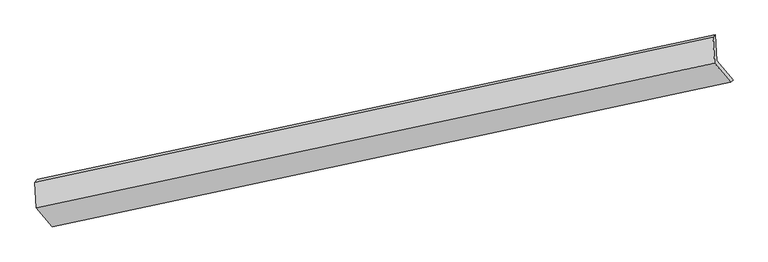
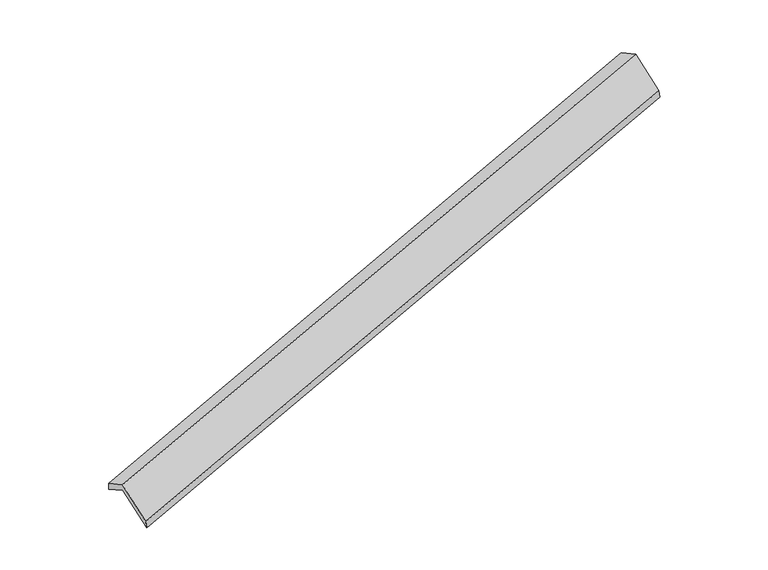
"""IFC4 building model written with IfcOpenShell, lengths in millimetres: proxy geometry."""

from ifc_helpers import new_model, si_unit, frame, origin, place, context, project, spatial, source, transform, mapped, element, save
from ifc_brep_helpers import plane_surface, spline_surface, advanced_brep


def generic_models_0d58e086(model_context):
    return source(origin(), model_context, "Body", "AdvancedBrep", [
        advanced_brep(
        [(-8391.504543, -2680.4744517, 494.5291801), (-8416.0613072, -2271.3748321, 283.3203857), (2525.4051523, 63.8545226, 3556.2191937), (2550.4945339, -354.1181546, 3772.0089452), (-8452.2392231, -2321.1113784, 439.2307403), (2488.694619, 22.9910339, 3707.5485913), (-8427.7586122, -2728.9423334, 649.7845521), (2513.7078473, -393.7129786, 3922.6833601), (-8172.1620103, -3038.1340909, 21.1797809), (2769.3044492, -702.9047362, 3294.078589), (-8131.0555725, -2995.536054, -146.0093259), (2810.9435045, -669.1797569, 3131.4704392)],
        [
            (0, 1),
            (1, 2),
            (2, 3),
            (3, 0),
            (1, 4),
            (4, 5),
            (5, 2),
            (4, 6),
            (6, 7),
            (7, 5),
            (6, 8),
            (8, 9),
            (9, 7),
            (8, 10),
            (10, 11),
            (11, 9),
            (10, 0),
            (3, 11),
        ],
        [
            plane_surface(frame((-8403.7829251, -2475.9246419, 388.9247829), z_axis=(0.3409017863397248, -0.41503008653047224, -0.8435259328229889), x_axis=(-0.05326174171742723, 0.8873057589361075, -0.45809570727965165))),
            spline_surface(1, 1, [[(-8416.0613072, -2271.3748321, 283.3203857), (2525.4051523, 63.8545226, 3556.2191937)], [(-8452.2392231, -2321.1113784, 439.2307403), (2488.694619, 22.9910339, 3707.5485913)]], [2, 2], [2, 2], [0.0, 1.0], [0.0, 1.0]),
            plane_surface(frame((-8439.9989177, -2525.0268559, 544.5076462), z_axis=(-0.3409017863397227, 0.4150300865304367, 0.8435259328230071), x_axis=(0.05326174171742782, -0.887305758936127, 0.458095707279614))),
            plane_surface(frame((-8299.9603113, -2883.5382121, 335.4821665), z_axis=(0.052457114922907375, -0.8874786489459251, 0.45785357785986625), x_axis=(0.3427592019566853, -0.4146311776081134, -0.8429692260274544))),
            spline_surface(1, 1, [[(-8172.1620103, -3038.1340909, 21.1797809), (2769.3044492, -702.9047362, 3294.078589)], [(-8131.0555725, -2995.536054, -146.0093259), (2810.9435045, -669.1797569, 3131.4704392)]], [2, 2], [2, 2], [0.0, 1.0], [0.0, 1.0]),
            plane_surface(frame((-8261.2800578, -2838.0052529, 174.2599271), z_axis=(-0.05165245070741066, 0.8876508855699928, -0.45761111184358966), x_axis=(-0.34275920195668214, 0.4146311776081174, 0.8429692260274537))),
            plane_surface(frame((2609.758351, -338.8450116, 3564.0015197), z_axis=(0.9379122114266534, 0.20191452823945158, 0.2820482351347095), x_axis=(0.2432056888891143, 0.19698109806373737, -0.9497628334998036))),
            plane_surface(frame((-8331.7968781, -2672.5955234, 290.3392189), z_axis=(-0.937912211426656, -0.20191452823943246, -0.2820482351347147), x_axis=(0.342759201956678, -0.4146311776081184, -0.8429692260274549))),
        ],
        [
            (0, [[1, 2, 3, 4]]),
            (1, [[5, 6, 7, -2]]),
            (2, [[8, 9, 10, -6]]),
            (3, [[11, 12, 13, -9]]),
            (4, [[14, 15, 16, -12]]),
            (5, [[17, -4, 18, -15]]),
            (6, [[-16, -18, -3, -7, -10, -13]]),
            (7, [[-17, -14, -11, -8, -5, -1]]),
        ],
    ),
    ])


if __name__ == "__main__":
    model = new_model("IFC4")
    model_context = context("Model", 3, world=origin())
    ifc_project = project(units=[si_unit("LENGTHUNIT", "METRE", prefix="MILLI")], contexts=[model_context])
    site = spatial("IfcSite", under=ifc_project)
    building = spatial("IfcBuilding", under=site)
    placement = place(None, origin())
    generic_models_shape = generic_models_0d58e086(model_context)
    element("IfcBuildingElementProxy", 1, Name="Generic Models", at=placement, inside=building, context=model_context, shape_type="MappedRepresentation", body=[
        mapped(generic_models_shape, transform((0.0, 0.0, 0.0), x_axis=(1.0, 0.0, 0.0), y_axis=(0.0, 1.0, 0.0), z_axis=(0.0, 0.0, 1.0))),
    ])
    save(model, "model.ifc")
